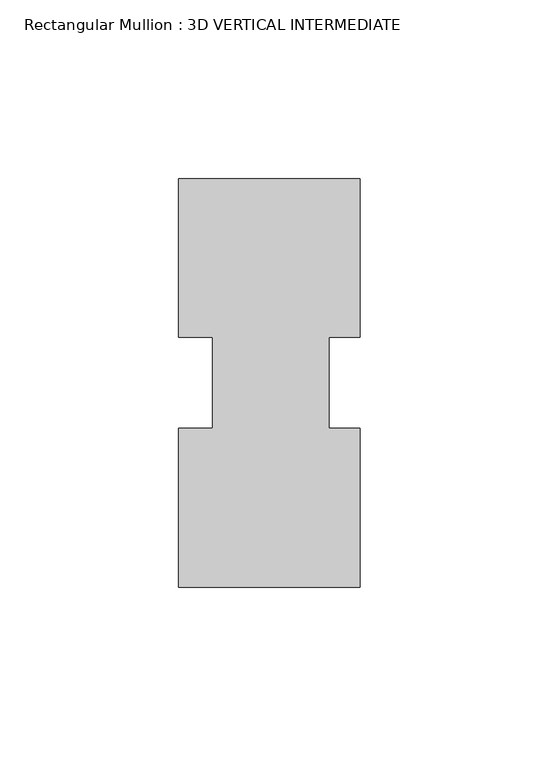
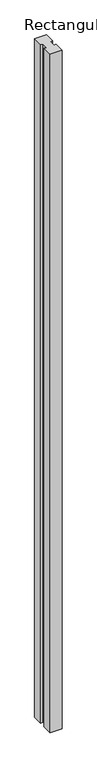
"""IFC4 building model written with IfcOpenShell, lengths in millimetres: member geometry, Rectangular Mullion : 3D VERTICAL INTERMEDIATE."""

from ifc_helpers import new_model, si_unit, frame, origin, place, context, project, spatial, polyline, outline, extrude, source, transform, mapped, element, save


def rectangular_mullion_3d_vertical_intermediate_452c5206(model_context):
    return source(origin(), model_context, "Body", "SweptSolid", [
        extrude(outline(polyline([(25.4, 57.1500444), (25.4, 12.7938544), (16.66875, 12.7938544), (16.66875, -12.693844), (25.4, -12.693844), (25.4, -57.1499556), (-25.4, -57.149854), (-25.4, -12.693844), (-15.875, -12.693844), (-15.875, 12.7938544), (-25.4, 12.7938544), (-25.4, 57.150146), (25.4, 57.1500444)])), frame((0.0, 0.0, -3048.0), z_axis=(0.0, 0.0, 1.0), x_axis=(1.0, 0.0, 0.0)), (0.0, 0.0, 1.0), 3048.0),
    ])


if __name__ == "__main__":
    model = new_model("IFC4")
    model_context = context("Model", 3, world=origin())
    ifc_project = project(units=[si_unit("LENGTHUNIT", "METRE", prefix="MILLI")], contexts=[model_context])
    site = spatial("IfcSite", under=ifc_project)
    building = spatial("IfcBuilding", under=site)
    placement = place(None, origin())
    rectangular_mullion_3d_vertical_intermediate_shape = rectangular_mullion_3d_vertical_intermediate_452c5206(model_context)
    element("IfcMember", 1, ObjectType="Rectangular Mullion : 3D VERTICAL INTERMEDIATE", at=placement, inside=building, context=model_context, shape_type="MappedRepresentation", body=[
        mapped(rectangular_mullion_3d_vertical_intermediate_shape, transform((0.0, 0.0, 0.0), x_axis=(1.0, 0.0, 0.0), y_axis=(0.0, 1.0, 0.0), z_axis=(0.0, 0.0, 1.0))),
    ])
    save(model, "model.ifc")
